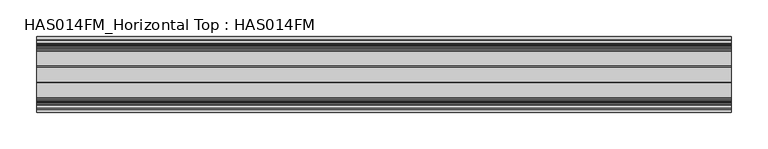
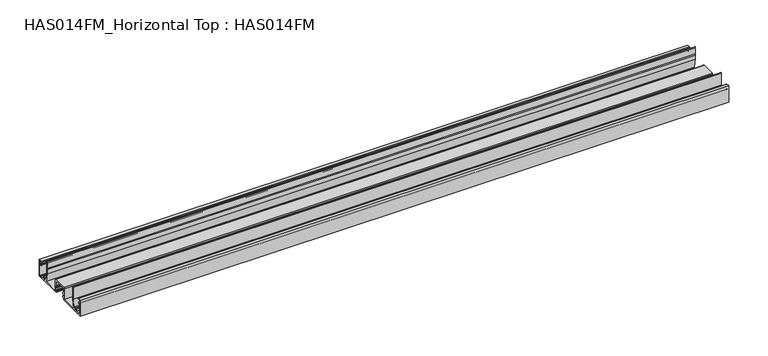
"""IFC4 building model written with IfcOpenShell, lengths in millimetres: beam geometry, HAS014FM_Horizontal Top : HAS014FM."""

from ifc_helpers import new_model, si_unit, point, frame, frame_2d, origin, place, context, project, spatial, polyline, circle_curve, trimmed, segment, composite_curve, outline, extrude, source, transform, mapped, element, save


def has014fm_horizontal_top_has014fm_c0d9a88e(model_context):
    return source(origin(), model_context, "Body", "SweptSolid", [
        extrude(outline(composite_curve([segment(polyline([(-9.7397316, -31.7708648), (-9.7397316, -34.1298825), (-51.998773, -34.1298825), (-51.998773, -9.0339496), (-47.6822725, -9.0339496)]), True, "CONTINUOUS"), segment(trimmed(circle_curve(frame_2d((-47.6822725, -9.7366357)), 0.7026861), [point((-47.6822725, -9.0339496))], [point((-47.6822725, -10.4393218))], False, "CARTESIAN"), True, "CONTINUOUS"), segment(polyline([(-47.6822725, -10.4393218), (-50.6435926, -10.4393218), (-50.6435926, -13.7017931), (-48.9370692, -13.7017931)]), True, "CONTINUOUS"), segment(trimmed(circle_curve(frame_2d((-48.9370692, -14.504863)), 0.8030699), [point((-48.9370692, -13.7017931))], [point((-48.1339993, -14.504863))], False, "CARTESIAN"), True, "CONTINUOUS"), segment(polyline([(-48.1339993, -14.504863), (-48.1339993, -15.7094677)]), True, "CONTINUOUS"), segment(trimmed(circle_curve(frame_2d((-48.635918, -15.7094677)), 0.5019187), [point((-48.1339993, -15.7094677))], [point((-49.1378366, -15.7094677))], False, "CARTESIAN"), True, "CONTINUOUS"), segment(polyline([(-49.1378366, -15.7094677), (-49.1378366, -14.7056304), (-50.6435926, -14.7056304), (-50.6435926, -32.7747021), (-49.1378366, -32.7747021), (-49.1378366, -31.7708648)]), True, "CONTINUOUS"), segment(trimmed(circle_curve(frame_2d((-48.635918, -31.7708648)), 0.5019187), [point((-49.1378366, -31.7708648))], [point((-48.1339993, -31.7708648))], False, "CARTESIAN"), True, "CONTINUOUS"), segment(polyline([(-48.1339993, -31.7708648), (-48.1339993, -32.7747021), (-41.4082317, -32.7747021)]), True, "CONTINUOUS"), segment(trimmed(circle_curve(frame_2d((-38.9488879, -30.8679975)), 3.1118957), [point((-41.4082317, -32.7747021))], [point((-41.283567, -28.810531))], False, "CARTESIAN"), True, "CONTINUOUS"), segment(trimmed(circle_curve(frame_2d((-40.7187253, -29.3083052)), 0.752878), [point((-41.283567, -28.810531))], [point((-40.1538836, -29.8060793))], False, "CARTESIAN"), True, "CONTINUOUS"), segment(trimmed(circle_curve(frame_2d((-38.9488879, -30.8679975)), 1.6061397), [point((-40.1538836, -29.8060793))], [point((-39.0041772, -32.4731853))], True, "CARTESIAN"), True, "CONTINUOUS"), segment(trimmed(circle_curve(frame_2d((-38.9488879, -30.8679975)), 1.6061397), [point((-39.0041772, -32.4731853))], [point((-37.7438922, -29.8060793))], True, "CARTESIAN"), True, "CONTINUOUS"), segment(trimmed(circle_curve(frame_2d((-37.1790505, -29.3083052)), 0.752878), [point((-37.7438922, -29.8060793))], [point((-36.6142088, -28.810531))], False, "CARTESIAN"), True, "CONTINUOUS"), segment(polyline([(-36.6142088, -28.810531), (-35.692704, -29.7320358), (-33.4779745, -18.9347678), (-33.4779745, -0.6775902)]), True, "CONTINUOUS"), segment(trimmed(circle_curve(frame_2d((-32.8003843, -0.6775902)), 0.6775902), [point((-33.4779745, -0.6775902))], [point((-32.1227941, -0.6775902))], False, "CARTESIAN"), True, "CONTINUOUS"), segment(polyline([(-32.1227941, -0.6775902), (-32.1227941, -10.5402918), (-32.925864, -10.5402918), (-32.1227941, -12.4331683), (-32.1227941, -19.0723228), (-34.9335386, -32.7752884), (-11.2956794, -32.7752884), (-11.2956794, -15.7596596)]), True, "CONTINUOUS"), segment(trimmed(circle_curve(frame_2d((-10.0910746, -15.7596596)), 1.2046048), [point((-11.2956794, -15.7596596))], [point((-10.0910746, -14.5550548))], False, "CARTESIAN"), True, "CONTINUOUS"), segment(polyline([(-10.0910746, -14.5550548), (10.0910746, -14.5550548)]), True, "CONTINUOUS"), segment(trimmed(circle_curve(frame_2d((10.0910746, -15.7596596)), 1.2046048), [point((10.0910746, -14.5550548))], [point((11.2956794, -15.7596596))], False, "CARTESIAN"), True, "CONTINUOUS"), segment(polyline([(11.2956794, -15.7596596), (11.2956794, -32.7752884), (34.9335386, -32.7752884), (32.1227941, -19.0723228), (32.1227941, -12.4331683), (32.925864, -10.5402918), (32.1227941, -10.5402918), (32.1227941, -0.6775902)]), True, "CONTINUOUS"), segment(trimmed(circle_curve(frame_2d((32.8003843, -0.6775902)), 0.6775902), [point((32.1227941, -0.6775902))], [point((33.4779745, -0.6775902))], False, "CARTESIAN"), True, "CONTINUOUS"), segment(polyline([(33.4779745, -0.6775902), (33.4779745, -18.9347678), (35.692704, -29.7320358), (36.6142088, -28.810531)]), True, "CONTINUOUS"), segment(trimmed(circle_curve(frame_2d((37.1790505, -29.3083052)), 0.752878), [point((36.6142088, -28.810531))], [point((37.7438922, -29.8060793))], False, "CARTESIAN"), True, "CONTINUOUS"), segment(trimmed(circle_curve(frame_2d((38.9488879, -30.8679975)), 1.6061397), [point((37.7438922, -29.8060793))], [point((38.9120232, -32.4737141))], True, "CARTESIAN"), True, "CONTINUOUS"), segment(trimmed(circle_curve(frame_2d((38.9488879, -30.8679975)), 1.6061397), [point((38.9120232, -32.4737141))], [point((40.1538835, -29.8060793))], True, "CARTESIAN"), True, "CONTINUOUS"), segment(trimmed(circle_curve(frame_2d((40.7187253, -29.3083052)), 0.752878), [point((40.1538835, -29.8060793))], [point((41.283567, -28.810531))], False, "CARTESIAN"), True, "CONTINUOUS"), segment(trimmed(circle_curve(frame_2d((38.9488879, -30.8679975)), 3.1118957), [point((41.283567, -28.810531))], [point((41.4082317, -32.7747021))], False, "CARTESIAN"), True, "CONTINUOUS"), segment(polyline([(41.4082317, -32.7747021), (48.1339993, -32.7747021), (48.1339993, -31.7708648)]), True, "CONTINUOUS"), segment(trimmed(circle_curve(frame_2d((48.635918, -31.7708648)), 0.5019187), [point((48.1339993, -31.7708648))], [point((49.1378366, -31.7708648))], False, "CARTESIAN"), True, "CONTINUOUS"), segment(polyline([(49.1378366, -31.7708648), (49.1378366, -32.7747021), (50.6435926, -32.7747021), (50.6435926, -14.7056304), (49.1378366, -14.7056304), (49.1378366, -15.7094677)]), True, "CONTINUOUS"), segment(trimmed(circle_curve(frame_2d((48.635918, -15.7094677)), 0.5019187), [point((49.1378366, -15.7094677))], [point((48.1339993, -15.7094677))], False, "CARTESIAN"), True, "CONTINUOUS"), segment(polyline([(48.1339993, -15.7094677), (48.1339993, -14.504863)]), True, "CONTINUOUS"), segment(trimmed(circle_curve(frame_2d((48.9370692, -14.504863)), 0.8030699), [point((48.1339993, -14.504863))], [point((48.9370692, -13.7017931))], False, "CARTESIAN"), True, "CONTINUOUS"), segment(polyline([(48.9370692, -13.7017931), (50.6435926, -13.7017931), (50.6435926, -10.4393218), (47.6822725, -10.4393218)]), True, "CONTINUOUS"), segment(trimmed(circle_curve(frame_2d((47.6822725, -9.7366357)), 0.7026861), [point((47.6822725, -10.4393218))], [point((47.6822725, -9.0339496))], False, "CARTESIAN"), True, "CONTINUOUS"), segment(polyline([(47.6822725, -9.0339496), (51.998773, -9.0339496), (51.998773, -34.1298825), (9.7397316, -34.1298825), (9.7397316, -31.7708648), (8.0332081, -31.7708648)]), True, "CONTINUOUS"), segment(trimmed(circle_curve(frame_2d((8.0332081, -31.2689461)), 0.5019187), [point((8.0332081, -31.7708648))], [point((7.5312895, -31.2689461))], False, "CARTESIAN"), True, "CONTINUOUS"), segment(polyline([(7.5312895, -31.2689461), (7.5312895, -29.6635739)]), True, "CONTINUOUS"), segment(trimmed(circle_curve(frame_2d((8.0332081, -29.6635739)), 0.5019187), [point((7.5312895, -29.6635739))], [point((8.5351268, -29.6635739))], False, "CARTESIAN"), True, "CONTINUOUS"), segment(polyline([(8.5351268, -29.6635739), (8.5351268, -30.4658763), (9.940499, -30.4658763), (9.940499, -25.0451548), (8.5351268, -25.0451548), (8.5351268, -25.8474572)]), True, "CONTINUOUS"), segment(trimmed(circle_curve(frame_2d((8.0332081, -25.8474572)), 0.5019187), [point((8.5351268, -25.8474572))], [point((7.5312895, -25.8474572))], False, "CARTESIAN"), True, "CONTINUOUS"), segment(polyline([(7.5312895, -25.8474572), (7.5312895, -24.2420849)]), True, "CONTINUOUS"), segment(trimmed(circle_curve(frame_2d((8.0332081, -24.2420849)), 0.5019187), [point((7.5312895, -24.2420849))], [point((8.0332081, -23.7401663))], False, "CARTESIAN"), True, "CONTINUOUS"), segment(polyline([(8.0332081, -23.7401663), (9.7397316, -23.7401663), (9.7397316, -16.1110027), (-9.7397316, -16.1110027), (-9.7397316, -23.7401663), (-8.0332081, -23.7401663)]), True, "CONTINUOUS"), segment(trimmed(circle_curve(frame_2d((-8.0332081, -24.2420849)), 0.5019187), [point((-8.0332081, -23.7401663))], [point((-7.5312895, -24.2420849))], False, "CARTESIAN"), True, "CONTINUOUS"), segment(polyline([(-7.5312895, -24.2420849), (-7.5312895, -25.8474572)]), True, "CONTINUOUS"), segment(trimmed(circle_curve(frame_2d((-8.0332081, -25.8474572)), 0.5019187), [point((-7.5312895, -25.8474572))], [point((-8.5351268, -25.8474572))], False, "CARTESIAN"), True, "CONTINUOUS"), segment(polyline([(-8.5351268, -25.8474572), (-8.5351268, -25.0451548), (-9.940499, -25.0451548), (-9.940499, -30.4658763), (-8.5351268, -30.4658763), (-8.5351268, -29.6635739)]), True, "CONTINUOUS"), segment(trimmed(circle_curve(frame_2d((-8.0332081, -29.6635739)), 0.5019187), [point((-8.5351268, -29.6635739))], [point((-7.5312895, -29.6635739))], False, "CARTESIAN"), True, "CONTINUOUS"), segment(polyline([(-7.5312895, -29.6635739), (-7.5312895, -31.2689461)]), True, "CONTINUOUS"), segment(trimmed(circle_curve(frame_2d((-8.0332081, -31.2689461)), 0.5019187), [point((-7.5312895, -31.2689461))], [point((-8.0332081, -31.7708648))], False, "CARTESIAN"), True, "CONTINUOUS"), segment(polyline([(-8.0332081, -31.7708648), (-9.7397316, -31.7708648)]), True, "CONTINUOUS")], self_intersect=False)), frame((-474.9040671, 0.0, 0.0), z_axis=(1.0, 0.0, 0.0), x_axis=(0.0, 1.0, 0.0)), (0.0, 0.0, 1.0), 949.8081342),
    ])


if __name__ == "__main__":
    model = new_model("IFC4")
    model_context = context("Model", 3, world=origin())
    ifc_project = project(units=[si_unit("LENGTHUNIT", "METRE", prefix="MILLI")], contexts=[model_context])
    site = spatial("IfcSite", under=ifc_project)
    building = spatial("IfcBuilding", under=site)
    placement = place(None, origin())
    has014fm_horizontal_top_has014fm_shape = has014fm_horizontal_top_has014fm_c0d9a88e(model_context)
    element("IfcBeam", 1, ObjectType="HAS014FM_Horizontal Top : HAS014FM", at=placement, inside=building, context=model_context, shape_type="MappedRepresentation", body=[
        mapped(has014fm_horizontal_top_has014fm_shape, transform((0.0, 0.0, 0.0), x_axis=(1.0, 0.0, 0.0), y_axis=(0.0, 1.0, 0.0), z_axis=(0.0, 0.0, 1.0))),
    ])
    save(model, "model.ifc")
